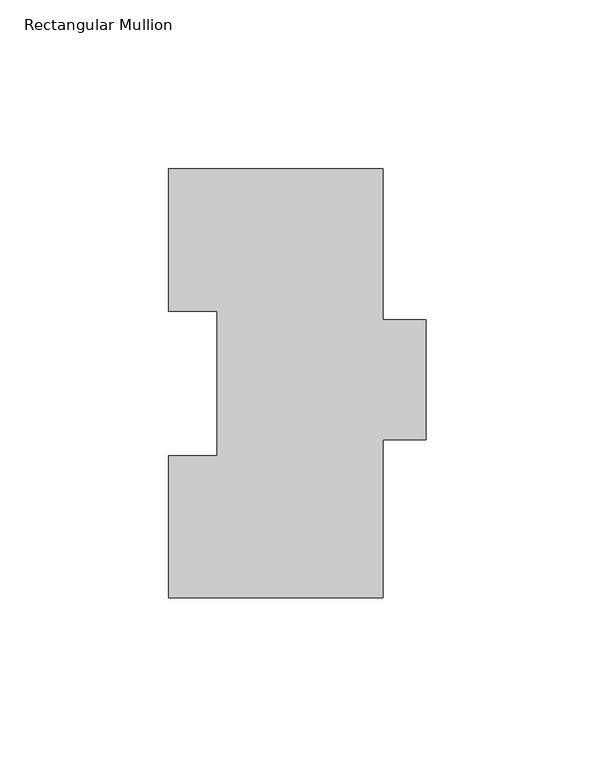
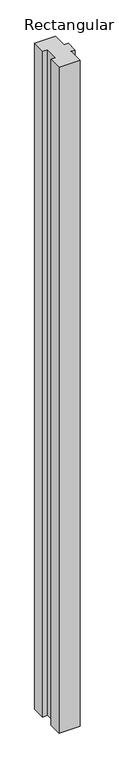
"""IFC4 building model written with IfcOpenShell, lengths in millimetres: member geometry, Rectangular Mullion."""

from ifc_helpers import new_model, si_unit, frame, origin, place, context, project, spatial, polyline, outline, extrude, source, transform, mapped, element, save


def rectangular_mullion_fd933abe(model_context):
    return source(origin(), model_context, "Body", "SweptSolid", [
        extrude(outline(polyline([(31.7502713, 127.00635), (31.7502713, 82.30235), (44.4502713, 82.30235), (44.4502713, 46.8376), (31.7502713, 46.8376), (31.7502713, 0.00635), (-31.7494574, 0.00635), (-31.7494574, 42.08145), (-17.4619574, 42.08145), (-17.4619574, 84.93125), (-31.75, 84.93125), (-31.75, 127.00635), (31.7502713, 127.00635)])), frame((0.0, 0.0, -2133.6), z_axis=(0.0, 0.0, 1.0), x_axis=(1.0, 0.0, 0.0)), (0.0, 0.0, 1.0), 2133.6),
    ])


if __name__ == "__main__":
    model = new_model("IFC4")
    model_context = context("Model", 3, world=origin())
    ifc_project = project(units=[si_unit("LENGTHUNIT", "METRE", prefix="MILLI")], contexts=[model_context])
    site = spatial("IfcSite", under=ifc_project)
    building = spatial("IfcBuilding", under=site)
    placement = place(None, origin())
    rectangular_mullion_shape = rectangular_mullion_fd933abe(model_context)
    element("IfcMember", 1, ObjectType="Rectangular Mullion", at=placement, inside=building, context=model_context, shape_type="MappedRepresentation", body=[
        mapped(rectangular_mullion_shape, transform((0.0, 0.0, 0.0), x_axis=(1.0, 0.0, 0.0), y_axis=(0.0, 1.0, 0.0), z_axis=(0.0, 0.0, 1.0))),
    ])
    save(model, "model.ifc")
